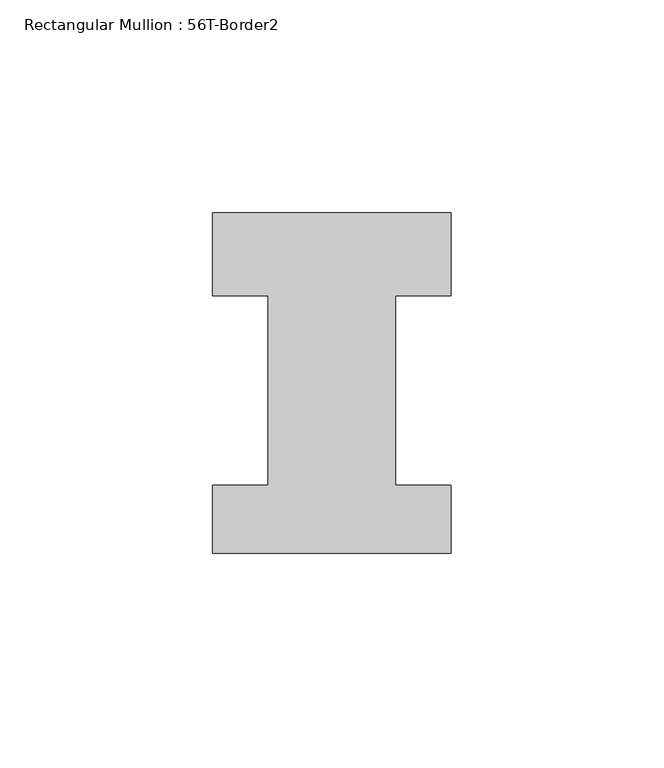
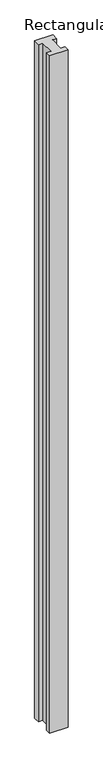
"""IFC4 building model written with IfcOpenShell, lengths in millimetres: member geometry, Rectangular Mullion : 56T-Border2."""

from ifc_helpers import new_model, si_unit, frame, origin, place, context, project, spatial, polyline, outline, extrude, source, transform, mapped, element, save


def rectangular_mullion_56t_border2_99b7ce70(model_context):
    return source(origin(), model_context, "Body", "SweptSolid", [
        extrude(outline(polyline([(0.0, 20.0), (0.0, 0.5), (-13.0, 0.5), (-13.0, -44.0), (0.0, -44.0), (0.0, -60.0), (-56.0, -60.0), (-56.0, -44.0), (-43.0, -44.0), (-43.0, 0.5), (-56.0, 0.5), (-56.0, 20.0), (0.0, 20.0)])), frame((0.0, 0.0, -2200.0), z_axis=(0.0, 0.0, 1.0), x_axis=(1.0, 0.0, 0.0)), (0.0, 0.0, 1.0), 2200.0),
    ])


if __name__ == "__main__":
    model = new_model("IFC4")
    model_context = context("Model", 3, world=origin())
    ifc_project = project(units=[si_unit("LENGTHUNIT", "METRE", prefix="MILLI")], contexts=[model_context])
    site = spatial("IfcSite", under=ifc_project)
    building = spatial("IfcBuilding", under=site)
    placement = place(None, origin())
    rectangular_mullion_56t_border2_shape = rectangular_mullion_56t_border2_99b7ce70(model_context)
    element("IfcMember", 1, ObjectType="Rectangular Mullion : 56T-Border2", at=placement, inside=building, context=model_context, shape_type="MappedRepresentation", body=[
        mapped(rectangular_mullion_56t_border2_shape, transform((0.0, 0.0, 0.0), x_axis=(1.0, 0.0, 0.0), y_axis=(0.0, 1.0, 0.0), z_axis=(0.0, 0.0, 1.0))),
    ])
    save(model, "model.ifc")
